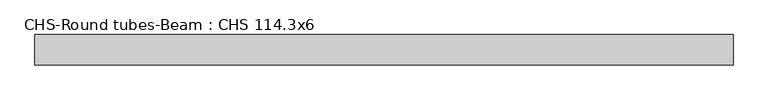
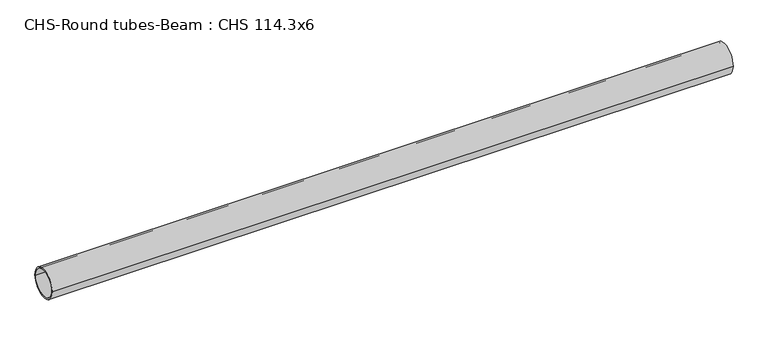
"""IFC4 building model written with IfcOpenShell, lengths in millimetres: beam geometry, CHS-Round tubes-Beam : CHS 114.3x6."""

from ifc_helpers import new_model, si_unit, point, frame, origin, origin_2d, place, context, project, spatial, circle_curve, trimmed, segment, composite_curve, outline, extrude, source, transform, mapped, element, save


def chs_round_tubes_beam_chs_114_3x6_00fac2da(model_context):
    return source(origin(), model_context, "Body", "SweptSolid", [
        extrude(outline(composite_curve([segment(trimmed(circle_curve(origin_2d(), 57.15), [point((57.15, 0.0))], [point((-57.15, 0.0))], False, "CARTESIAN"), True, "CONTINUOUS"), segment(trimmed(circle_curve(origin_2d(), 57.15), [point((-57.15, 0.0))], [point((57.15, 0.0))], False, "CARTESIAN"), True, "CONTINUOUS")], self_intersect=False), holes=[composite_curve([segment(trimmed(circle_curve(origin_2d(), 51.15), [point((51.15, 0.0))], [point((-51.15, 0.0))], True, "CARTESIAN"), True, "CONTINUOUS"), segment(trimmed(circle_curve(origin_2d(), 51.15), [point((-51.15, 0.0))], [point((51.15, 0.0))], True, "CARTESIAN"), True, "CONTINUOUS")], self_intersect=False)]), frame((-1228.0719517, 0.0, 0.0), z_axis=(1.0, 0.0, 0.0), x_axis=(0.0, 1.0, 0.0)), (0.0, 0.0, 1.0), 2613.433768),
    ])


if __name__ == "__main__":
    model = new_model("IFC4")
    model_context = context("Model", 3, world=origin())
    ifc_project = project(units=[si_unit("LENGTHUNIT", "METRE", prefix="MILLI")], contexts=[model_context])
    site = spatial("IfcSite", under=ifc_project)
    building = spatial("IfcBuilding", under=site)
    placement = place(None, origin())
    chs_round_tubes_beam_chs_114_3x6_shape = chs_round_tubes_beam_chs_114_3x6_00fac2da(model_context)
    element("IfcBeam", 1, ObjectType="CHS-Round tubes-Beam : CHS 114.3x6", at=placement, inside=building, context=model_context, shape_type="MappedRepresentation", body=[
        mapped(chs_round_tubes_beam_chs_114_3x6_shape, transform((0.0, 0.0, 0.0), x_axis=(1.0, 0.0, 0.0), y_axis=(0.0, 1.0, 0.0), z_axis=(0.0, 0.0, 1.0))),
    ])
    save(model, "model.ifc")
